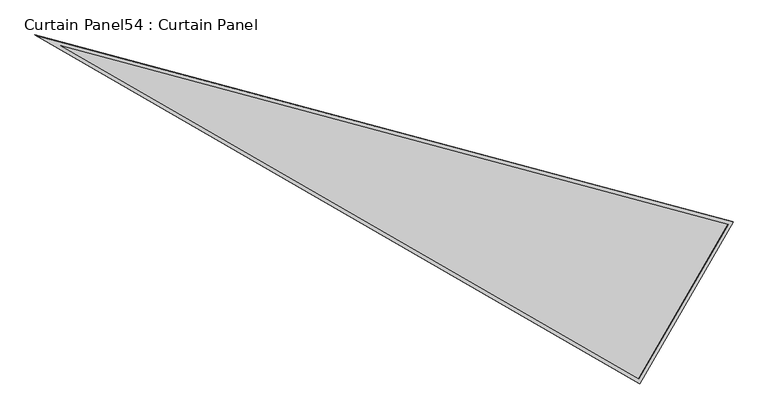
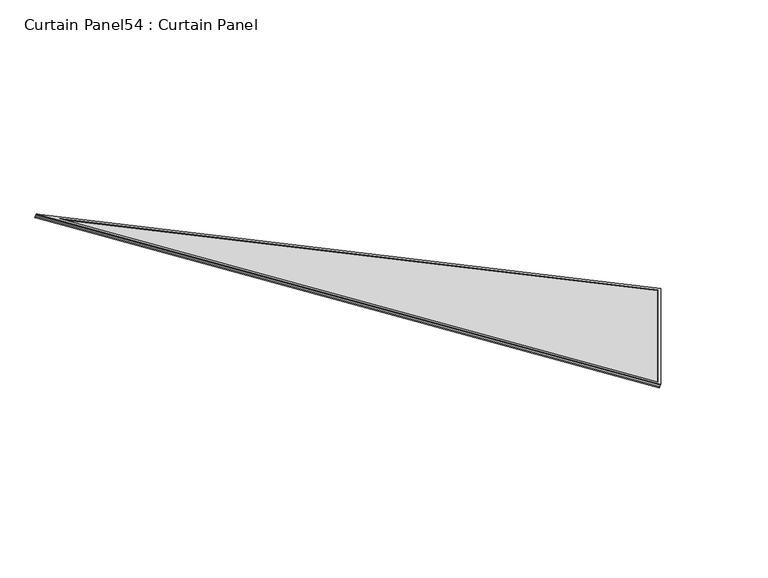
"""IFC4 building model written with IfcOpenShell, lengths in millimetres: plate geometry, Curtain Panel54 : Curtain Panel."""

from ifc_helpers import new_model, si_unit, frame, origin, place, context, project, spatial, polyline, outline, extrude, source, transform, mapped, element, save


def curtain_panel54_curtain_panel_d82b4a41(model_context):
    return source(origin(), model_context, "Body", "SweptSolid", [
        extrude(outline(polyline([(895.9373553, 0.0), (895.9373553, -3524.4506617), (0.0, 0.0), (895.9373553, 0.0)]), holes=[polyline([(879.2745574, -16.6627978), (21.4285393, -16.6627978), (879.2745574, -3391.2692346), (879.2745574, -16.6627978)])]), frame((18934.6253558, -459.4351625, 898.6980571), z_axis=(0.27379031486168154, -0.15807291198690718, 0.9487106081329127), x_axis=(-0.5000000000000089, -0.8660254037844335, 0.0)), (0.0, 0.0, 1.0), 4.8339674),
        extrude(outline(polyline([(895.9373554, 0.0), (895.9373554, -3524.4506618), (0.0, 0.0), (895.9373554, 0.0)]), holes=[polyline([(885.6245575, -10.3127979), (13.2623703, -10.3127979), (885.6245575, -3442.0231397), (885.6245575, -10.3127979)])]), frame((18929.7998596, -456.6491609, 881.9772337), z_axis=(0.27379031486167726, -0.1580729119869043, 0.9487106081329144), x_axis=(-0.5000000000000084, -0.8660254037844338, 0.0)), (0.0, 0.0, 1.0), 4.7767329),
        extrude(outline(polyline([(20.1836541, 0.0), (916.1210094, 0.0), (916.1210095, -3524.4506618), (20.1836541, 0.0)])), frame((18941.1995098, -439.9246758, 886.5089709), z_axis=(0.2737903148616769, -0.15807291198690482, 0.9487106081329144), x_axis=(-0.5000000000000092, -0.8660254037844334, 0.0)), (0.0, 0.0, 1.0), 12.8480552),
    ])


if __name__ == "__main__":
    model = new_model("IFC4")
    model_context = context("Model", 3, world=origin())
    ifc_project = project(units=[si_unit("LENGTHUNIT", "METRE", prefix="MILLI")], contexts=[model_context])
    site = spatial("IfcSite", under=ifc_project)
    building = spatial("IfcBuilding", under=site)
    placement = place(None, origin())
    curtain_panel54_curtain_panel_shape = curtain_panel54_curtain_panel_d82b4a41(model_context)
    element("IfcPlate", 1, ObjectType="Curtain Panel54 : Curtain Panel", at=placement, inside=building, context=model_context, shape_type="MappedRepresentation", body=[
        mapped(curtain_panel54_curtain_panel_shape, transform((0.0, 0.0, 0.0), x_axis=(1.0, 0.0, 0.0), y_axis=(0.0, 1.0, 0.0), z_axis=(0.0, 0.0, 1.0))),
    ])
    save(model, "model.ifc")
